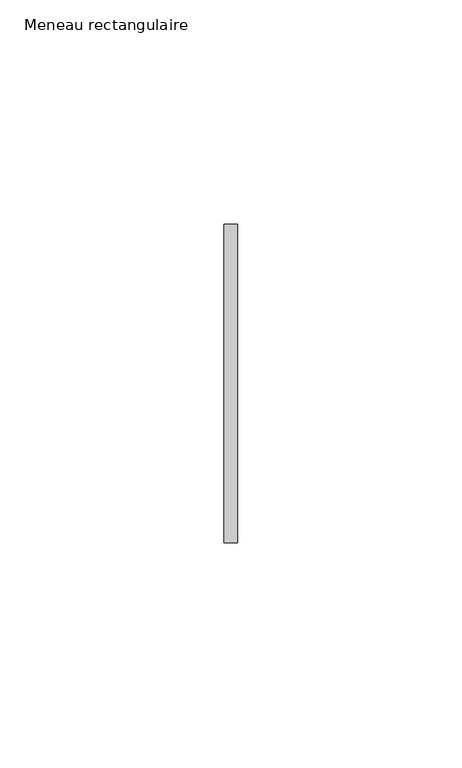
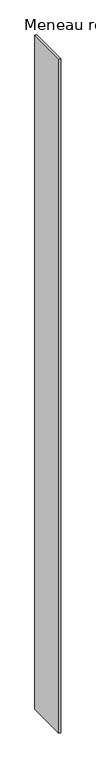
"""IFC4 building model written with IfcOpenShell, lengths in millimetres: member geometry, Meneau rectangulaire."""

from ifc_helpers import new_model, si_unit, frame, origin, place, context, project, spatial, polyline, outline, extrude, source, transform, mapped, element, save


def meneau_rectangulaire_e3414877(model_context):
    return source(origin(), model_context, "Body", "SweptSolid", [
        extrude(outline(polyline([(-1.5, 35.5), (1.5, 35.5), (1.5, -35.5), (-1.5, -35.5), (-1.5, 35.5)])), frame((0.0, 0.0, -1216.3750002), z_axis=(0.0, 0.0, 1.0), x_axis=(1.0, 0.0, 0.0)), (0.0, 0.0, 1.0), 1216.3750002),
    ])


if __name__ == "__main__":
    model = new_model("IFC4")
    model_context = context("Model", 3, world=origin())
    ifc_project = project(units=[si_unit("LENGTHUNIT", "METRE", prefix="MILLI")], contexts=[model_context])
    site = spatial("IfcSite", under=ifc_project)
    building = spatial("IfcBuilding", under=site)
    placement = place(None, origin())
    meneau_rectangulaire_shape = meneau_rectangulaire_e3414877(model_context)
    element("IfcMember", 1, ObjectType="Meneau rectangulaire", at=placement, inside=building, context=model_context, shape_type="MappedRepresentation", body=[
        mapped(meneau_rectangulaire_shape, transform((0.0, 0.0, 0.0), x_axis=(1.0, 0.0, 0.0), y_axis=(0.0, 1.0, 0.0), z_axis=(0.0, 0.0, 1.0))),
    ])
    save(model, "model.ifc")
